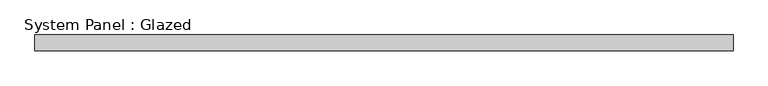
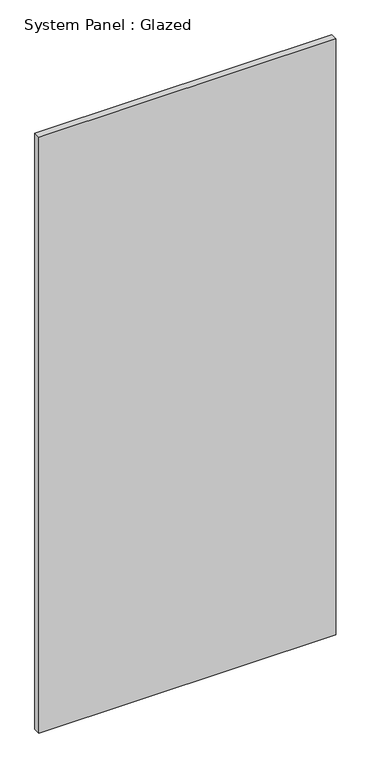
"""IFC4 building model written with IfcOpenShell, lengths in millimetres: plate geometry, System Panel : Glazed."""

from ifc_helpers import new_model, si_unit, origin, origin_with_axes, place, context, project, spatial, polyline, outline, extrude, source, transform, mapped, element, save


def system_panel_glazed_c6e85992(model_context):
    return source(origin(), model_context, "Body", "SweptSolid", [
        extrude(outline(polyline([(559.9103371, 19.05), (-559.9103371, 19.05), (-559.9103371, 44.45), (559.9103371, 44.45), (559.9103371, 19.05)])), origin_with_axes(), (0.0, 0.0, 1.0), 2374.9),
    ])


if __name__ == "__main__":
    model = new_model("IFC4")
    model_context = context("Model", 3, world=origin())
    ifc_project = project(units=[si_unit("LENGTHUNIT", "METRE", prefix="MILLI")], contexts=[model_context])
    site = spatial("IfcSite", under=ifc_project)
    building = spatial("IfcBuilding", under=site)
    placement = place(None, origin())
    system_panel_glazed_shape = system_panel_glazed_c6e85992(model_context)
    element("IfcPlate", 1, ObjectType="System Panel : Glazed", at=placement, inside=building, context=model_context, shape_type="MappedRepresentation", body=[
        mapped(system_panel_glazed_shape, transform((0.0, 0.0, 0.0), x_axis=(1.0, 0.0, 0.0), y_axis=(0.0, 1.0, 0.0), z_axis=(0.0, 0.0, 1.0))),
    ])
    save(model, "model.ifc")
